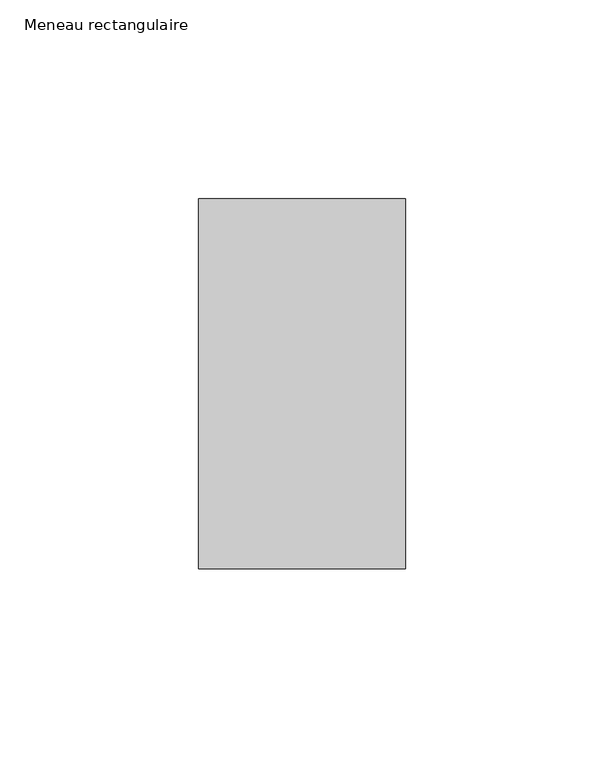
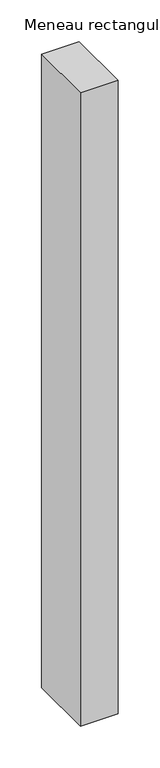
"""IFC4 building model written with IfcOpenShell, lengths in millimetres: member geometry, Meneau rectangulaire."""

from ifc_helpers import new_model, si_unit, frame, origin, place, context, project, spatial, polyline, outline, extrude, source, transform, mapped, element, save


def meneau_rectangulaire_af7ed622(model_context):
    return source(origin(), model_context, "Body", "SweptSolid", [
        extrude(outline(polyline([(-52.0, 46.5), (0.0, 46.5), (0.0, -46.5), (-52.0, -46.5), (-52.0, 46.5)])), frame((0.0, 0.0, -925.0040494), z_axis=(0.0, 0.0, 1.0), x_axis=(1.0, 0.0, 0.0)), (0.0, 0.0, 1.0), 925.0040494),
    ])


if __name__ == "__main__":
    model = new_model("IFC4")
    model_context = context("Model", 3, world=origin())
    ifc_project = project(units=[si_unit("LENGTHUNIT", "METRE", prefix="MILLI")], contexts=[model_context])
    site = spatial("IfcSite", under=ifc_project)
    building = spatial("IfcBuilding", under=site)
    placement = place(None, origin())
    meneau_rectangulaire_shape = meneau_rectangulaire_af7ed622(model_context)
    element("IfcMember", 1, ObjectType="Meneau rectangulaire", at=placement, inside=building, context=model_context, shape_type="MappedRepresentation", body=[
        mapped(meneau_rectangulaire_shape, transform((0.0, 0.0, 0.0), x_axis=(1.0, 0.0, 0.0), y_axis=(0.0, 1.0, 0.0), z_axis=(0.0, 0.0, 1.0))),
    ])
    save(model, "model.ifc")
